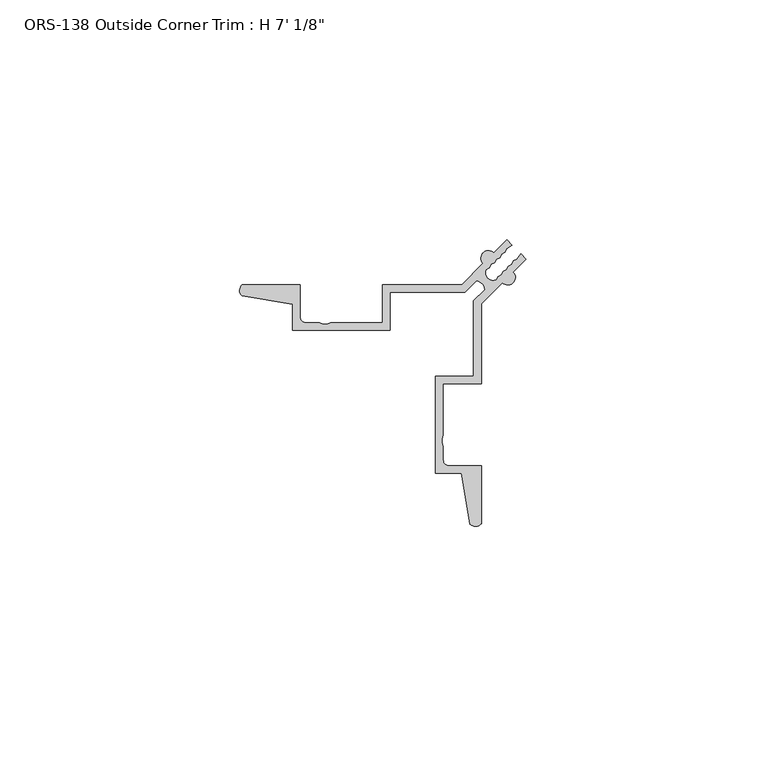
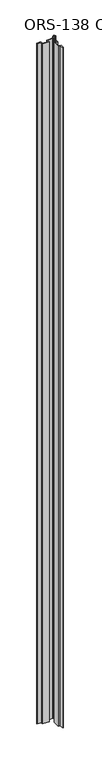
"""IFC4 building model written with IfcOpenShell, lengths in millimetres: proxy geometry."""

from ifc_helpers import new_model, si_unit, point, frame_2d, origin, origin_with_axes, place, context, project, spatial, polyline, circle_curve, trimmed, segment, composite_curve, outline, extrude, source, transform, mapped, element, save


def proxy_4b4a2922(model_context):
    return source(origin(), model_context, "Body", "SweptSolid", [
        extrude(outline(composite_curve([segment(trimmed(circle_curve(frame_2d((43.7206513, 13.8796302)), 1.27), [point((42.4506513, 13.8796302))], [point((43.7206513, 12.6096302))], True, "CARTESIAN"), True, "CONTINUOUS"), segment(polyline([(43.7206513, 12.6096302), (50.4008513, 12.6096302), (50.4008513, 0.5248271)]), True, "CONTINUOUS"), segment(trimmed(circle_curve(frame_2d((49.2081748, 1.6155848)), 1.6162393), [point((50.4008513, 0.5248271))], [point((48.0794821, 0.4587433))], False, "CARTESIAN"), True, "CONTINUOUS"), segment(polyline([(48.0794821, 0.4587433), (46.2685083, 11.0348302), (40.8758513, 11.0348302), (40.8758513, 31.3508513), (48.8260513, 31.3508513), (48.8260513, 47.0479604), (51.1706495, 49.3925585)]), True, "CONTINUOUS"), segment(trimmed(circle_curve(frame_2d((49.1635259, 49.1635257)), 2.0201487), [point((51.1706495, 49.3925585))], [point((49.3925588, 51.1706492))], True, "CARTESIAN"), True, "CONTINUOUS"), segment(polyline([(49.3925588, 51.1706492), (47.0479608, 48.8260513), (31.3508509, 48.8260513), (31.3508509, 40.8758513), (11.0348302, 40.8758513), (11.0348302, 46.2685083), (0.4587433, 48.0794821)]), True, "CONTINUOUS"), segment(trimmed(circle_curve(frame_2d((1.6155848, 49.2081748)), 1.6162393), [point((0.4587433, 48.0794821))], [point((0.5248271, 50.4008513))], False, "CARTESIAN"), True, "CONTINUOUS"), segment(polyline([(0.5248271, 50.4008513), (12.6096302, 50.4008513), (12.6096302, 43.7206513)]), True, "CONTINUOUS"), segment(trimmed(circle_curve(frame_2d((13.8796302, 43.7206513)), 1.27), [point((12.6096302, 43.7206513))], [point((13.8796302, 42.4506513))], True, "CARTESIAN"), True, "CONTINUOUS"), segment(polyline([(13.8796302, 42.4506513), (16.6840488, 42.4506513), (17.4406458, 42.1901341), (18.2407114, 42.1901341), (18.9973084, 42.4506513), (29.7760513, 42.4506513), (29.7760513, 50.4008513), (46.3776968, 50.4008513), (50.7993131, 54.8224676)]), True, "CONTINUOUS"), segment(trimmed(circle_curve(frame_2d((51.9128649, 55.9360194)), 1.5748), [point((50.7993131, 54.8224676))], [point((53.0264166, 57.0495712))], False, "CARTESIAN"), True, "CONTINUOUS"), segment(polyline([(53.0264166, 57.0495712), (55.7294737, 59.7526283), (56.8430255, 58.6390765), (55.7058671, 57.8611284), (55.3530406, 57.1490916), (54.6206677, 56.775929), (54.2678412, 56.0638922), (53.5354683, 55.6907295), (53.1826417, 54.9786927), (52.4502689, 54.6055301), (52.0974423, 53.8934933), (51.3650694, 53.5203307)]), True, "CONTINUOUS"), segment(trimmed(circle_curve(frame_2d((52.9462302, 52.9462301)), 1.6821596), [point((51.3650694, 53.5203307))], [point((53.5203304, 51.3650692))], True, "CARTESIAN"), True, "CONTINUOUS"), segment(polyline([(53.5203304, 51.3650692), (53.8934932, 52.0974424), (54.60553, 52.4502689), (54.9786926, 53.1826418), (55.6907295, 53.5354683), (56.0638921, 54.2678412), (56.7759289, 54.6206677), (57.1490915, 55.3530406), (57.8611283, 55.7058671), (58.6390765, 56.8430255), (59.7526285, 55.7294735), (57.0495714, 53.0264164)]), True, "CONTINUOUS"), segment(trimmed(circle_curve(frame_2d((55.9360196, 51.9128647)), 1.5748), [point((57.0495714, 53.0264164))], [point((54.8224679, 50.7993129))], False, "CARTESIAN"), True, "CONTINUOUS"), segment(polyline([(54.8224679, 50.7993129), (50.4008513, 46.3776963), (50.4008513, 29.7760513), (42.4506513, 29.7760513), (42.4506513, 18.9973084), (42.1901341, 18.2407114), (42.1901341, 17.4406458), (42.4506513, 16.6840488), (42.4506513, 13.8796302)]), True, "CONTINUOUS")], self_intersect=False)), origin_with_axes(), (0.0, 0.0, 1.0), 2136.775),
    ])


if __name__ == "__main__":
    model = new_model("IFC4")
    model_context = context("Model", 3, world=origin())
    ifc_project = project(units=[si_unit("LENGTHUNIT", "METRE", prefix="MILLI")], contexts=[model_context])
    site = spatial("IfcSite", under=ifc_project)
    building = spatial("IfcBuilding", under=site)
    placement = place(None, origin())
    proxy_shape = proxy_4b4a2922(model_context)
    element("IfcBuildingElementProxy", 1, Name="ORS-138 Outside Corner Trim : H 7' 1/8\"", ObjectType="ORS-138 Outside Corner Trim : H 7' 1/8\"", at=placement, inside=building, context=model_context, shape_type="MappedRepresentation", body=[
        mapped(proxy_shape, transform((0.0, 0.0, 0.0), x_axis=(1.0, 0.0, 0.0), y_axis=(0.0, 1.0, 0.0), z_axis=(0.0, 0.0, 1.0))),
    ])
    save(model, "model.ifc")
